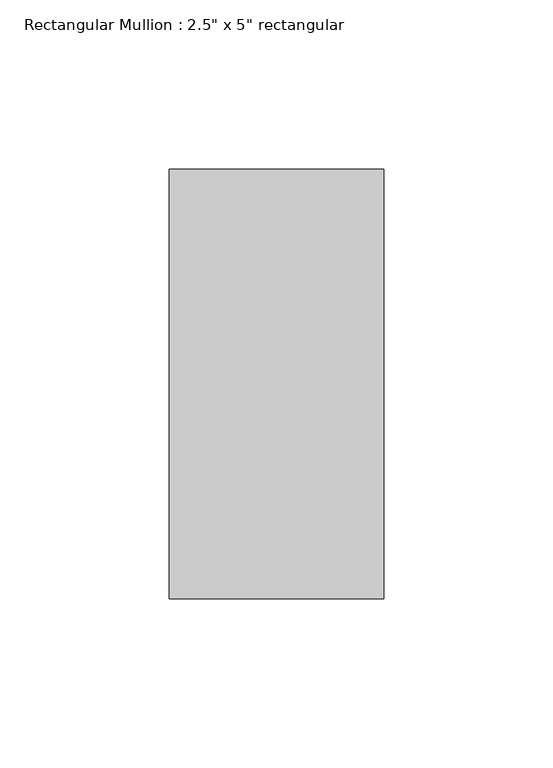
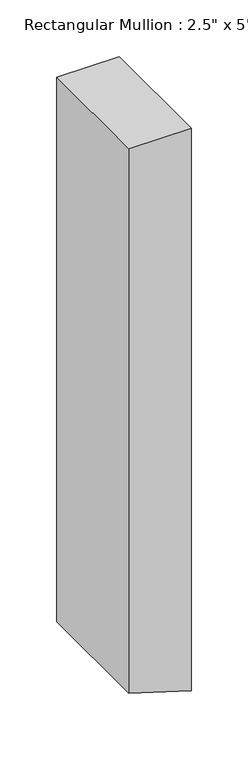
"""IFC4 building model written with IfcOpenShell, lengths in millimetres: member geometry."""

from ifc_helpers import new_model, si_unit, frame, origin, place, context, project, spatial, polyline, outline, extrude, source, transform, mapped, element, save


def member_b01f4419(model_context):
    return source(origin(), model_context, "Body", "SweptSolid", [
        extrude(outline(polyline([(0.0, 31.75), (0.0, -31.75), (-585.5580379, -31.75), (-600.9988871, 18.6132771), (-605.0264677, 31.75), (0.0, 31.75)])), frame((0.0, -63.5, 0.0), z_axis=(0.0, 1.0, 0.0), x_axis=(0.0, 0.0, 1.0)), (0.0, 0.0, 1.0), 127.0),
    ])


if __name__ == "__main__":
    model = new_model("IFC4")
    model_context = context("Model", 3, world=origin())
    ifc_project = project(units=[si_unit("LENGTHUNIT", "METRE", prefix="MILLI")], contexts=[model_context])
    site = spatial("IfcSite", under=ifc_project)
    building = spatial("IfcBuilding", under=site)
    placement = place(None, origin())
    member_shape = member_b01f4419(model_context)
    element("IfcMember", 1, ObjectType="Rectangular Mullion : 2.5\" x 5\" rectangular", at=placement, inside=building, context=model_context, shape_type="MappedRepresentation", body=[
        mapped(member_shape, transform((0.0, 0.0, 0.0), x_axis=(1.0, 0.0, 0.0), y_axis=(0.0, 1.0, 0.0), z_axis=(0.0, 0.0, 1.0))),
    ])
    save(model, "model.ifc")
